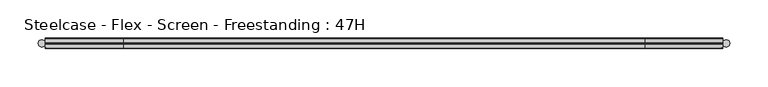
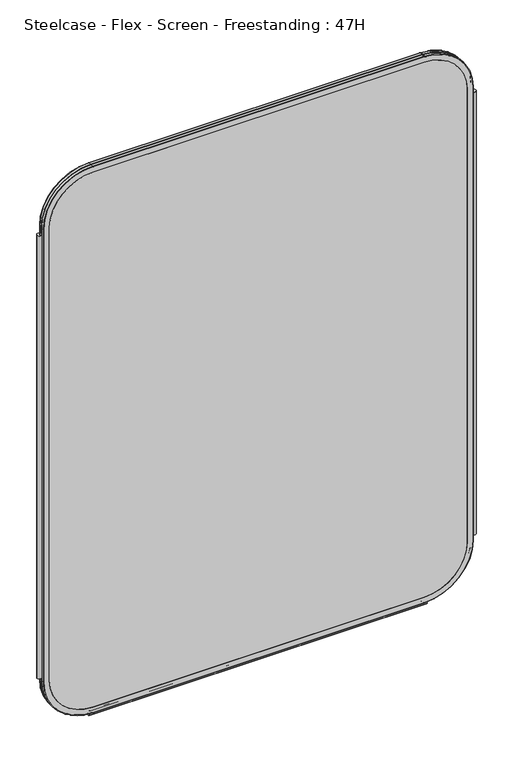
"""IFC4 building model written with IfcOpenShell, lengths in millimetres: furniture geometry, Steelcase - Flex - Screen - Freestanding : 47H."""

from ifc_helpers import new_model, si_unit, point, frame, frame_2d, origin, place, context, project, spatial, polyline, circle_curve, ellipse_curve, trimmed, segment, composite_curve, outline, extrude, source, transform, mapped, element, save
from ifc_brep_helpers import plane_surface, cylinder_surface, revolved_surface, advanced_brep


def steelcase_flex_screen_freestanding_47h_8e9ec8d9(model_context):
    return source(origin(), model_context, "Body", "SolidModel", [
        extrude(outline(composite_curve([segment(trimmed(circle_curve(frame_2d((4.5307839, 0.0)), 4.572), [point((-0.0412161, 0.0))], [point((9.1027839, 0.0))], False, "CARTESIAN"), True, "CONTINUOUS"), segment(trimmed(circle_curve(frame_2d((4.5307839, 0.0)), 4.572), [point((9.1027839, 0.0))], [point((-0.0412161, 0.0))], False, "CARTESIAN"), True, "CONTINUOUS")], self_intersect=False)), frame((0.0, 0.0, 115.57), z_axis=(0.0, 0.0, 1.0), x_axis=(1.0, 0.0, 0.0)), (0.0, 0.0, 1.0), 962.66),
        extrude(outline(composite_curve([segment(trimmed(circle_curve(frame_2d((898.7749587, 0.0)), 4.572), [point((894.2029587, 0.0))], [point((903.3469587, 0.0))], False, "CARTESIAN"), True, "CONTINUOUS"), segment(trimmed(circle_curve(frame_2d((898.7749587, 0.0)), 4.572), [point((903.3469587, 0.0))], [point((894.2029587, 0.0))], False, "CARTESIAN"), True, "CONTINUOUS")], self_intersect=False)), frame((0.0, 0.0, 115.57), z_axis=(0.0, 0.0, 1.0), x_axis=(1.0, 0.0, 0.0)), (0.0, 0.0, 1.0), 962.66),
        extrude(outline(composite_curve([segment(trimmed(circle_curve(frame_2d((-3.5, 4.4751953)), 0.5), [point((-3.5, 4.9751953))], [point((-3.5, 3.9751953))], False, "CARTESIAN"), True, "CONTINUOUS"), segment(trimmed(circle_curve(frame_2d((-3.5, 2.4751953)), 1.5), [point((-3.5, 3.9751953))], [point((-2.3025096, 1.5718589))], True, "CARTESIAN"), True, "CONTINUOUS"), segment(trimmed(circle_curve(frame_2d((-10.3325937, 7.629417)), 10.0586411), [point((-2.3025096, 1.5718589))], [point((-0.714976, 4.6836248))], True, "CARTESIAN"), True, "CONTINUOUS"), segment(trimmed(circle_curve(frame_2d((0.0, 4.4646339)), 0.7477618), [point((-0.714976, 4.6836248))], [point((0.714976, 4.6836248))], False, "CARTESIAN"), True, "CONTINUOUS"), segment(trimmed(circle_curve(frame_2d((10.3325937, 7.629417)), 10.0586411), [point((0.714976, 4.6836248))], [point((2.3025096, 1.5718589))], True, "CARTESIAN"), True, "CONTINUOUS"), segment(trimmed(circle_curve(frame_2d((3.5, 2.4751953)), 1.5), [point((2.3025096, 1.5718589))], [point((3.5, 3.9751953))], True, "CARTESIAN"), True, "CONTINUOUS"), segment(trimmed(circle_curve(frame_2d((3.5, 4.4751953)), 0.5), [point((3.5, 3.9751953))], [point((3.5, 4.9751953))], False, "CARTESIAN"), True, "CONTINUOUS"), segment(trimmed(circle_curve(frame_2d((3.5, 2.4751953)), 2.5), [point((3.5, 4.9751953))], [point((1.4656663, 1.0220998))], False, "CARTESIAN"), True, "CONTINUOUS"), segment(trimmed(circle_curve(frame_2d((0.0, -0.0248047)), 1.8011626), [point((1.4656663, 1.0220998))], [point((-1.4656663, 1.0220998))], True, "CARTESIAN"), True, "CONTINUOUS"), segment(trimmed(circle_curve(frame_2d((-3.5, 2.4751953)), 2.5), [point((-1.4656663, 1.0220998))], [point((-3.5, 4.9751953))], False, "CARTESIAN"), True, "CONTINUOUS")], self_intersect=False)), frame((104.1640108, 0.0, 0.0), z_axis=(1.0, 0.0, 0.0), x_axis=(0.0, 1.0, 0.0)), (0.0, 0.0, 1.0), 694.9777209),
        advanced_brep(
        [(9.9273521, 0.0, 1092.2), (110.7653521, 0.0, 1193.038), (792.5652086, 0.0, 1193.038), (893.4032086, 0.0, 1092.2), (893.4032086, 0.0, 106.5996464), (792.5652086, 0.0, 5.7616464), (110.7653521, 0.0, 5.7616464), (9.9273521, 0.0, 106.5996464), (792.5652086, 0.0, 17.6996464), (881.4652086, 0.0, 106.5996464), (881.4652086, 0.0, 1092.2), (792.5652086, 0.0, 1181.1), (110.7653521, 0.0, 1181.1), (21.8653521, 0.0, 1092.2), (21.8653521, 0.0, 106.5996464), (110.7653521, 0.0, 17.6996464), (110.7653521, -0.762, 1193.8), (9.1653521, -0.762, 1092.2), (110.7653521, -6.096, 1193.8), (9.1653521, -6.096, 1092.2), (110.7653521, -6.858, 1193.038), (9.9273521, -6.858, 1092.2), (110.7653521, -6.858, 1181.1), (21.8653521, -6.858, 1092.2), (792.5652086, -0.762, 1193.8), (792.5652086, -6.096, 1193.8), (792.5652086, -6.858, 1193.038), (792.5652086, -6.858, 1181.1), (894.1652086, -0.762, 1092.2), (894.1652086, -6.096, 1092.2), (893.4032086, -6.858, 1092.2), (881.4652086, -6.858, 1092.2), (894.1652086, -0.762, 106.5996464), (894.1652086, -6.096, 106.5996464), (893.4032086, -6.858, 106.5996464), (881.4652086, -6.858, 106.5996464), (792.5652086, -0.762, 4.9996464), (792.5652086, -6.096, 4.9996464), (792.5652086, -6.858, 5.7616464), (792.5652086, -6.858, 17.6996464), (110.7653521, -0.762, 4.9996464), (110.7653521, -6.096, 4.9996464), (110.7653521, -6.858, 5.7616464), (110.7653521, -6.858, 17.6996464), (9.1653521, -0.762, 106.5996464), (9.1653521, -6.096, 106.5996464), (9.9273521, -6.858, 106.5996464), (21.8653521, -6.858, 106.5996464)],
        [
            (0, 1, circle_curve(frame((110.7653521, 0.0, 1092.2), z_axis=(0.0, 1.0, 0.0), x_axis=(-1.0, 0.0, 0.0)), 100.838)),
            (1, 2),
            (2, 3, circle_curve(frame((792.5652086, 0.0, 1092.2), z_axis=(0.0, 1.0, 0.0), x_axis=(0.0, 0.0, 1.0)), 100.838)),
            (3, 4),
            (4, 5, circle_curve(frame((792.5652086, 0.0, 106.5996464), z_axis=(0.0, 1.0, 0.0), x_axis=(1.0, 0.0, 0.0)), 100.838)),
            (5, 6),
            (6, 7, circle_curve(frame((110.7653521, 0.0, 106.5996464), z_axis=(0.0, 1.0, 0.0), x_axis=(0.0, 0.0, -1.0)), 100.838)),
            (7, 0),
            (8, 9, circle_curve(frame((792.5652086, 0.0, 106.5996464), z_axis=(0.0, -1.0, 0.0), x_axis=(1.0, 0.0, 0.0)), 88.9)),
            (9, 10),
            (10, 11, circle_curve(frame((792.5652086, 0.0, 1092.2), z_axis=(0.0, -1.0, 0.0), x_axis=(0.0, 0.0, 1.0)), 88.9)),
            (11, 12),
            (12, 13, circle_curve(frame((110.7653521, 0.0, 1092.2), z_axis=(0.0, -1.0, 0.0), x_axis=(-1.0, 0.0, 0.0)), 88.9)),
            (13, 14),
            (14, 15, circle_curve(frame((110.7653521, 0.0, 106.5996464), z_axis=(0.0, -1.0, 0.0), x_axis=(0.0, 0.0, -1.0)), 88.9)),
            (15, 8),
            (16, 1, circle_curve(frame((110.7653521, -0.762, 1193.038), z_axis=(-1.0, 0.0, 0.0), x_axis=(0.0, 0.0, 1.0)), 0.762)),
            (0, 17, circle_curve(frame((9.9273521, -0.762, 1092.2), z_axis=(0.0, 0.0, 1.0), x_axis=(-1.0, 0.0, 0.0)), 0.762)),
            (17, 16, circle_curve(frame((110.7653521, -0.762, 1092.2), z_axis=(0.0, 1.0, 0.0), x_axis=(-1.0, 0.0, 0.0)), 101.6)),
            (18, 16),
            (17, 19),
            (19, 18, circle_curve(frame((110.7653521, -6.096, 1092.2), z_axis=(0.0, 1.0, 0.0), x_axis=(-1.0, 0.0, 0.0)), 101.6)),
            (20, 18, circle_curve(frame((110.7653521, -6.096, 1193.038), z_axis=(-1.0, 0.0, 0.0), x_axis=(0.0, 0.0, 1.0)), 0.762)),
            (19, 21, circle_curve(frame((9.9273521, -6.096, 1092.2), z_axis=(0.0, 0.0, 1.0), x_axis=(-1.0, 0.0, 0.0)), 0.762)),
            (21, 20, circle_curve(frame((110.7653521, -6.858, 1092.2), z_axis=(0.0, 1.0, 0.0), x_axis=(-1.0, 0.0, 0.0)), 100.838)),
            (12, 22),
            (22, 23, circle_curve(frame((110.7653521, -6.858, 1092.2), z_axis=(0.0, -1.0, 0.0), x_axis=(-1.0, 0.0, 0.0)), 88.9)),
            (23, 13),
            (16, 24),
            (24, 2, circle_curve(frame((792.5652086, -0.762, 1193.038), z_axis=(-1.0, 0.0, 0.0), x_axis=(0.0, 0.0, 1.0)), 0.762)),
            (18, 25),
            (25, 24),
            (20, 26),
            (26, 25, circle_curve(frame((792.5652086, -6.096, 1193.038), z_axis=(-1.0, 0.0, 0.0), x_axis=(0.0, 0.0, 1.0)), 0.762)),
            (11, 27),
            (27, 22),
            (28, 3, circle_curve(frame((893.4032086, -0.762, 1092.2), z_axis=(0.0, 0.0, 1.0), x_axis=(1.0, 0.0, 0.0)), 0.762)),
            (24, 28, circle_curve(frame((792.5652086, -0.762, 1092.2), z_axis=(0.0, 1.0, 0.0), x_axis=(0.0, 0.0, 1.0)), 101.6)),
            (29, 28),
            (25, 29, circle_curve(frame((792.5652086, -6.096, 1092.2), z_axis=(0.0, 1.0, 0.0), x_axis=(0.0, 0.0, 1.0)), 101.6)),
            (30, 29, circle_curve(frame((893.4032086, -6.096, 1092.2), z_axis=(0.0, 0.0, 1.0), x_axis=(1.0, 0.0, 0.0)), 0.762)),
            (26, 30, circle_curve(frame((792.5652086, -6.858, 1092.2), z_axis=(0.0, 1.0, 0.0), x_axis=(0.0, 0.0, 1.0)), 100.838)),
            (10, 31),
            (31, 27, circle_curve(frame((792.5652086, -6.858, 1092.2), z_axis=(0.0, -1.0, 0.0), x_axis=(0.0, 0.0, 1.0)), 88.9)),
            (28, 32),
            (32, 4, circle_curve(frame((893.4032086, -0.762, 106.5996464), z_axis=(0.0, 0.0, 1.0), x_axis=(1.0, 0.0, 0.0)), 0.762)),
            (29, 33),
            (33, 32),
            (30, 34),
            (34, 33, circle_curve(frame((893.4032086, -6.096, 106.5996464), z_axis=(0.0, 0.0, 1.0), x_axis=(1.0, 0.0, 0.0)), 0.762)),
            (9, 35),
            (35, 31),
            (36, 5, circle_curve(frame((792.5652086, -0.762, 5.7616464), z_axis=(1.0, 0.0, 0.0), x_axis=(0.0, 0.0, -1.0)), 0.762)),
            (32, 36, circle_curve(frame((792.5652086, -0.762, 106.5996464), z_axis=(0.0, 1.0, 0.0), x_axis=(1.0, 0.0, 0.0)), 101.6)),
            (37, 36),
            (33, 37, circle_curve(frame((792.5652086, -6.096, 106.5996464), z_axis=(0.0, 1.0, 0.0), x_axis=(1.0, 0.0, 0.0)), 101.6)),
            (38, 37, circle_curve(frame((792.5652086, -6.096, 5.7616464), z_axis=(1.0, 0.0, 0.0), x_axis=(0.0, 0.0, -1.0)), 0.762)),
            (34, 38, circle_curve(frame((792.5652086, -6.858, 106.5996464), z_axis=(0.0, 1.0, 0.0), x_axis=(1.0, 0.0, 0.0)), 100.838)),
            (8, 39),
            (39, 35, circle_curve(frame((792.5652086, -6.858, 106.5996464), z_axis=(0.0, -1.0, 0.0), x_axis=(1.0, 0.0, 0.0)), 88.9)),
            (36, 40),
            (40, 6, circle_curve(frame((110.7653521, -0.762, 5.7616464), z_axis=(1.0, 0.0, 0.0), x_axis=(0.0, 0.0, -1.0)), 0.762)),
            (37, 41),
            (41, 40),
            (38, 42),
            (42, 41, circle_curve(frame((110.7653521, -6.096, 5.7616464), z_axis=(1.0, 0.0, 0.0), x_axis=(0.0, 0.0, -1.0)), 0.762)),
            (15, 43),
            (43, 39),
            (44, 7, circle_curve(frame((9.9273521, -0.762, 106.5996464), z_axis=(0.0, 0.0, -1.0), x_axis=(-1.0, 0.0, 0.0)), 0.762)),
            (40, 44, circle_curve(frame((110.7653521, -0.762, 106.5996464), z_axis=(0.0, 1.0, 0.0), x_axis=(0.0, 0.0, -1.0)), 101.6)),
            (45, 44),
            (41, 45, circle_curve(frame((110.7653521, -6.096, 106.5996464), z_axis=(0.0, 1.0, 0.0), x_axis=(0.0, 0.0, -1.0)), 101.6)),
            (46, 45, circle_curve(frame((9.9273521, -6.096, 106.5996464), z_axis=(0.0, 0.0, -1.0), x_axis=(-1.0, 0.0, 0.0)), 0.762)),
            (42, 46, circle_curve(frame((110.7653521, -6.858, 106.5996464), z_axis=(0.0, 1.0, 0.0), x_axis=(0.0, 0.0, -1.0)), 100.838)),
            (14, 47),
            (47, 43, circle_curve(frame((110.7653521, -6.858, 106.5996464), z_axis=(0.0, -1.0, 0.0), x_axis=(0.0, 0.0, -1.0)), 88.9)),
            (44, 17),
            (45, 19),
            (46, 21),
            (47, 23),
        ],
        [
            plane_surface(frame((21.8653521, 0.0, 106.5996464), z_axis=(0.0, 1.0, 0.0), x_axis=(0.0, 0.0, 1.0))),
            revolved_surface(trimmed(ellipse_curve(frame((9.9273521, -0.762, 1092.2), z_axis=(0.0, 0.0, 1.0), x_axis=(-1.0, 0.0, 0.0)), 0.762, 0.762), [point((9.9273521, 0.0, 1092.2))], [point((9.1653521, -0.762, 1092.2))], True, "CARTESIAN"), (110.7653521, 0.0, 1092.2), (0.0, -1.0, 0.0)),
            cylinder_surface(frame((110.7653521, 0.0, 1092.2), z_axis=(0.0, -1.0, 0.0), x_axis=(-1.0, 0.0, 0.0)), 101.6),
            revolved_surface(trimmed(ellipse_curve(frame((9.9273521, -6.096, 1092.2), z_axis=(0.0, 0.0, 1.0), x_axis=(-1.0, 0.0, 0.0)), 0.762, 0.762), [point((9.1653521, -6.096, 1092.2))], [point((9.9273521, -6.858, 1092.2))], True, "CARTESIAN"), (110.7653521, 0.0, 1092.2), (0.0, -1.0, 0.0)),
            revolved_surface(polyline([(21.865352099999996, -6.858, 1092.2), (21.865352099999996, 0.0, 1092.2)]), (110.7653521, 0.0, 1092.2), (0.0, -1.0, 0.0)),
            cylinder_surface(frame((110.7653521, -0.762, 1193.038), z_axis=(-1.0, 0.0, 0.0), x_axis=(0.0, 0.0, 1.0)), 0.762),
            plane_surface(frame((110.7653521, -0.762, 1193.8), z_axis=(0.0, 0.0, 1.0), x_axis=(1.0, 0.0, 0.0))),
            cylinder_surface(frame((110.7653521, -6.096, 1193.038), z_axis=(-1.0, 0.0, 0.0), x_axis=(0.0, 0.0, 1.0)), 0.762),
            plane_surface(frame((110.7653521, -6.858, 1181.1), z_axis=(0.0, 0.0, -1.0), x_axis=(1.0, 0.0, 0.0))),
            revolved_surface(trimmed(ellipse_curve(frame((792.5652086, -0.762, 1193.038), z_axis=(1.0, 0.0, 0.0), x_axis=(0.0, 0.0, 1.0)), 0.762, 0.762), [point((792.5652086, 0.0, 1193.038))], [point((792.5652086, -0.762, 1193.8))], True, "CARTESIAN"), (792.5652086, 0.0, 1092.2), (0.0, -1.0, 0.0)),
            cylinder_surface(frame((792.5652086, 0.0, 1092.2), z_axis=(0.0, -1.0, 0.0), x_axis=(0.0, 0.0, 1.0)), 101.6),
            revolved_surface(trimmed(ellipse_curve(frame((792.5652086, -6.096, 1193.038), z_axis=(1.0, 0.0, 0.0), x_axis=(0.0, 0.0, 1.0)), 0.762, 0.762), [point((792.5652086, -6.096, 1193.8))], [point((792.5652086, -6.858, 1193.038))], True, "CARTESIAN"), (792.5652086, 0.0, 1092.2), (0.0, -1.0, 0.0)),
            revolved_surface(polyline([(792.5652086, -6.858, 1181.1000000000001), (792.5652086, 0.0, 1181.1000000000001)]), (792.5652086, 0.0, 1092.2), (0.0, -1.0, 0.0)),
            cylinder_surface(frame((893.4032086, -0.762, 1092.2), z_axis=(0.0, 0.0, 1.0), x_axis=(1.0, 0.0, 0.0)), 0.762),
            plane_surface(frame((894.1652086, -0.762, 1092.2), z_axis=(1.0, 0.0, 0.0), x_axis=(0.0, 0.0, -1.0))),
            cylinder_surface(frame((893.4032086, -6.096, 1092.2), z_axis=(0.0, 0.0, 1.0), x_axis=(1.0, 0.0, 0.0)), 0.762),
            plane_surface(frame((881.4652086, -6.858, 1092.2), z_axis=(-1.0, 0.0, 0.0), x_axis=(0.0, 0.0, -1.0))),
            revolved_surface(trimmed(ellipse_curve(frame((893.4032086, -0.762, 106.5996464), z_axis=(0.0, 0.0, -1.0), x_axis=(1.0, 0.0, 0.0)), 0.762, 0.762), [point((893.4032086, 0.0, 106.5996464))], [point((894.1652086, -0.762, 106.5996464))], True, "CARTESIAN"), (792.5652086, 0.0, 106.5996464), (0.0, -1.0, 0.0)),
            cylinder_surface(frame((792.5652086, 0.0, 106.5996464), z_axis=(0.0, -1.0, 0.0), x_axis=(1.0, 0.0, 0.0)), 101.6),
            revolved_surface(trimmed(ellipse_curve(frame((893.4032086, -6.096, 106.5996464), z_axis=(0.0, 0.0, -1.0), x_axis=(1.0, 0.0, 0.0)), 0.762, 0.762), [point((894.1652086, -6.096, 106.5996464))], [point((893.4032086, -6.858, 106.5996464))], True, "CARTESIAN"), (792.5652086, 0.0, 106.5996464), (0.0, -1.0, 0.0)),
            revolved_surface(polyline([(881.4652086, -6.858, 106.5996464), (881.4652086, 0.0, 106.5996464)]), (792.5652086, 0.0, 106.5996464), (0.0, -1.0, 0.0)),
            cylinder_surface(frame((792.5652086, -0.762, 5.7616464), z_axis=(1.0, 0.0, 0.0), x_axis=(0.0, 0.0, -1.0)), 0.762),
            plane_surface(frame((792.5652086, -0.762, 4.9996464), z_axis=(0.0, 0.0, -1.0), x_axis=(-1.0, 0.0, 0.0))),
            cylinder_surface(frame((792.5652086, -6.096, 5.7616464), z_axis=(1.0, 0.0, 0.0), x_axis=(0.0, 0.0, -1.0)), 0.762),
            plane_surface(frame((792.5652086, -6.858, 17.6996464), z_axis=(0.0, 0.0, 1.0), x_axis=(-1.0, 0.0, 0.0))),
            revolved_surface(trimmed(ellipse_curve(frame((110.7653521, -0.762, 5.7616464), z_axis=(-1.0, 0.0, 0.0), x_axis=(0.0, 0.0, -1.0)), 0.762, 0.762), [point((110.7653521, 0.0, 5.7616464))], [point((110.7653521, -0.762, 4.9996464))], True, "CARTESIAN"), (110.7653521, 0.0, 106.5996464), (0.0, -1.0, 0.0)),
            cylinder_surface(frame((110.7653521, 0.0, 106.5996464), z_axis=(0.0, -1.0, 0.0), x_axis=(0.0, 0.0, -1.0)), 101.6),
            revolved_surface(trimmed(ellipse_curve(frame((110.7653521, -6.096, 5.7616464), z_axis=(-1.0, 0.0, 0.0), x_axis=(0.0, 0.0, -1.0)), 0.762, 0.762), [point((110.7653521, -6.096, 4.9996464))], [point((110.7653521, -6.858, 5.7616464))], True, "CARTESIAN"), (110.7653521, 0.0, 106.5996464), (0.0, -1.0, 0.0)),
            revolved_surface(polyline([(110.7653521, -6.858, 17.699646399999992), (110.7653521, 0.0, 17.699646399999992)]), (110.7653521, 0.0, 106.5996464), (0.0, -1.0, 0.0)),
            cylinder_surface(frame((9.9273521, -0.762, 106.5996464), z_axis=(0.0, 0.0, -1.0), x_axis=(-1.0, 0.0, 0.0)), 0.762),
            plane_surface(frame((9.1653521, -0.762, 106.5996464), z_axis=(-1.0, 0.0, 0.0), x_axis=(0.0, 0.0, 1.0))),
            cylinder_surface(frame((9.9273521, -6.096, 106.5996464), z_axis=(0.0, 0.0, -1.0), x_axis=(-1.0, 0.0, 0.0)), 0.762),
            plane_surface(frame((9.9273521, -6.858, 106.5996464), z_axis=(0.0, -1.0, 0.0), x_axis=(0.0, 0.0, 1.0))),
            plane_surface(frame((21.8653521, -6.858, 106.5996464), z_axis=(1.0, 0.0, 0.0), x_axis=(0.0, 0.0, 1.0))),
        ],
        [
            (0, [[1, 2, 3, 4, 5, 6, 7, 8], [9, 10, 11, 12, 13, 14, 15, 16]]),
            (1, [[17, -1, 18, 19]]),
            (2, [[20, -19, 21, 22]]),
            (3, [[23, -22, 24, 25]]),
            (4, [[26, 27, 28, -13]]),
            (5, [[29, 30, -2, -17]]),
            (6, [[31, 32, -29, -20]]),
            (7, [[33, 34, -31, -23]]),
            (8, [[-12, 35, 36, -26]]),
            (9, [[37, -3, -30, 38]]),
            (10, [[39, -38, -32, 40]]),
            (11, [[41, -40, -34, 42]]),
            (12, [[43, 44, -35, -11]]),
            (13, [[45, 46, -4, -37]]),
            (14, [[47, 48, -45, -39]]),
            (15, [[49, 50, -47, -41]]),
            (16, [[-10, 51, 52, -43]]),
            (17, [[53, -5, -46, 54]]),
            (18, [[55, -54, -48, 56]]),
            (19, [[57, -56, -50, 58]]),
            (20, [[59, 60, -51, -9]]),
            (21, [[61, 62, -6, -53]]),
            (22, [[63, 64, -61, -55]]),
            (23, [[65, 66, -63, -57]]),
            (24, [[-16, 67, 68, -59]]),
            (25, [[69, -7, -62, 70]]),
            (26, [[71, -70, -64, 72]]),
            (27, [[73, -72, -66, 74]]),
            (28, [[75, 76, -67, -15]]),
            (29, [[77, -18, -8, -69]]),
            (30, [[78, -21, -77, -71]]),
            (31, [[79, -24, -78, -73]]),
            (32, [[-58, -49, -42, -33, -25, -79, -74, -65], [-27, -36, -44, -52, -60, -68, -76, 80]]),
            (33, [[-14, -28, -80, -75]]),
        ],
    ),
        extrude(outline(composite_curve([segment(polyline([(1181.1, 792.5652086), (1181.1, 110.7653521)]), True, "CONTINUOUS"), segment(trimmed(circle_curve(frame_2d((1092.2, 110.7653521)), 88.9), [point((1181.1, 110.7653521))], [point((1092.2, 21.8653521))], False, "CARTESIAN"), True, "CONTINUOUS"), segment(polyline([(1092.2, 21.8653521), (106.5996464, 21.8653521)]), True, "CONTINUOUS"), segment(trimmed(circle_curve(frame_2d((106.5996464, 110.7653521)), 88.9), [point((106.5996464, 21.8653521))], [point((17.6996464, 110.7653521))], False, "CARTESIAN"), True, "CONTINUOUS"), segment(polyline([(17.6996464, 110.7653521), (17.6996464, 792.5652086)]), True, "CONTINUOUS"), segment(trimmed(circle_curve(frame_2d((106.5996464, 792.5652086)), 88.9), [point((17.6996464, 792.5652086))], [point((106.5996464, 881.4652086))], False, "CARTESIAN"), True, "CONTINUOUS"), segment(polyline([(106.5996464, 881.4652086), (1092.2, 881.4652086)]), True, "CONTINUOUS"), segment(trimmed(circle_curve(frame_2d((1092.2, 792.5652086)), 88.9), [point((1092.2, 881.4652086))], [point((1181.1, 792.5652086))], False, "CARTESIAN"), True, "CONTINUOUS")], self_intersect=False)), frame((0.0, -6.858, 0.0), z_axis=(0.0, 1.0, 0.0), x_axis=(0.0, 0.0, 1.0)), (0.0, 0.0, 1.0), 6.858),
        advanced_brep(
        [(110.7653521, 6.858, 1181.1), (110.7653521, 0.0, 1181.1), (21.8653521, 0.0, 1092.2), (21.8653521, 6.858, 1092.2), (110.7653521, 6.096, 1193.8), (110.7653521, 6.858, 1193.038), (9.9273521, 6.858, 1092.2), (9.1653521, 6.096, 1092.2), (110.7653521, 0.762, 1193.8), (9.1653521, 0.762, 1092.2), (110.7653521, 0.0, 1193.038), (9.9273521, 0.0, 1092.2), (792.5652086, 6.858, 1181.1), (792.5652086, 0.0, 1181.1), (792.5652086, 6.096, 1193.8), (792.5652086, 6.858, 1193.038), (792.5652086, 0.762, 1193.8), (792.5652086, 0.0, 1193.038), (881.4652086, 6.858, 1092.2), (881.4652086, 0.0, 1092.2), (894.1652086, 6.096, 1092.2), (893.4032086, 6.858, 1092.2), (894.1652086, 0.762, 1092.2), (893.4032086, 0.0, 1092.2), (881.4652086, 6.858, 106.5996464), (881.4652086, 0.0, 106.5996464), (894.1652086, 6.096, 106.5996464), (893.4032086, 6.858, 106.5996464), (894.1652086, 0.762, 106.5996464), (893.4032086, 0.0, 106.5996464), (792.5652086, 6.858, 17.6996464), (792.5652086, 0.0, 17.6996464), (792.5652086, 6.096, 4.9996464), (792.5652086, 6.858, 5.7616464), (792.5652086, 0.762, 4.9996464), (792.5652086, 0.0, 5.7616464), (110.7653521, 6.858, 17.6996464), (110.7653521, 0.0, 17.6996464), (110.7653521, 6.096, 4.9996464), (110.7653521, 6.858, 5.7616464), (110.7653521, 0.762, 4.9996464), (110.7653521, 0.0, 5.7616464), (21.8653521, 6.858, 106.5996464), (21.8653521, 0.0, 106.5996464), (9.1653521, 6.096, 106.5996464), (9.9273521, 6.858, 106.5996464), (9.1653521, 0.762, 106.5996464), (9.9273521, 0.0, 106.5996464)],
        [
            (0, 1),
            (1, 2, circle_curve(frame((110.7653521, 0.0, 1092.2), z_axis=(0.0, -1.0, 0.0), x_axis=(-1.0, 0.0, 0.0)), 88.9)),
            (2, 3),
            (3, 0, circle_curve(frame((110.7653521, 6.858, 1092.2), z_axis=(0.0, 1.0, 0.0), x_axis=(-1.0, 0.0, 0.0)), 88.9)),
            (4, 5, circle_curve(frame((110.7653521, 6.096, 1193.038), z_axis=(-1.0, 0.0, 0.0), x_axis=(0.0, 0.0, 1.0)), 0.762)),
            (5, 6, circle_curve(frame((110.7653521, 6.858, 1092.2), z_axis=(0.0, -1.0, 0.0), x_axis=(-1.0, 0.0, 0.0)), 100.838)),
            (6, 7, circle_curve(frame((9.9273521, 6.096, 1092.2), z_axis=(0.0, 0.0, 1.0), x_axis=(-1.0, 0.0, 0.0)), 0.762)),
            (7, 4, circle_curve(frame((110.7653521, 6.096, 1092.2), z_axis=(0.0, 1.0, 0.0), x_axis=(-1.0, 0.0, 0.0)), 101.6)),
            (8, 4),
            (7, 9),
            (9, 8, circle_curve(frame((110.7653521, 0.762, 1092.2), z_axis=(0.0, 1.0, 0.0), x_axis=(-1.0, 0.0, 0.0)), 101.6)),
            (10, 8, circle_curve(frame((110.7653521, 0.762, 1193.038), z_axis=(-1.0, 0.0, 0.0), x_axis=(0.0, 0.0, 1.0)), 0.762)),
            (9, 11, circle_curve(frame((9.9273521, 0.762, 1092.2), z_axis=(0.0, 0.0, 1.0), x_axis=(-1.0, 0.0, 0.0)), 0.762)),
            (11, 10, circle_curve(frame((110.7653521, 0.0, 1092.2), z_axis=(0.0, 1.0, 0.0), x_axis=(-1.0, 0.0, 0.0)), 100.838)),
            (0, 12),
            (12, 13),
            (13, 1),
            (4, 14),
            (14, 15, circle_curve(frame((792.5652086, 6.096, 1193.038), z_axis=(-1.0, 0.0, 0.0), x_axis=(0.0, 0.0, 1.0)), 0.762)),
            (15, 5),
            (8, 16),
            (16, 14),
            (10, 17),
            (17, 16, circle_curve(frame((792.5652086, 0.762, 1193.038), z_axis=(-1.0, 0.0, 0.0), x_axis=(0.0, 0.0, 1.0)), 0.762)),
            (18, 19),
            (19, 13, circle_curve(frame((792.5652086, 0.0, 1092.2), z_axis=(0.0, -1.0, 0.0), x_axis=(0.0, 0.0, 1.0)), 88.9)),
            (12, 18, circle_curve(frame((792.5652086, 6.858, 1092.2), z_axis=(0.0, 1.0, 0.0), x_axis=(0.0, 0.0, 1.0)), 88.9)),
            (20, 21, circle_curve(frame((893.4032086, 6.096, 1092.2), z_axis=(0.0, 0.0, 1.0), x_axis=(1.0, 0.0, 0.0)), 0.762)),
            (21, 15, circle_curve(frame((792.5652086, 6.858, 1092.2), z_axis=(0.0, -1.0, 0.0), x_axis=(0.0, 0.0, 1.0)), 100.838)),
            (14, 20, circle_curve(frame((792.5652086, 6.096, 1092.2), z_axis=(0.0, 1.0, 0.0), x_axis=(0.0, 0.0, 1.0)), 101.6)),
            (22, 20),
            (16, 22, circle_curve(frame((792.5652086, 0.762, 1092.2), z_axis=(0.0, 1.0, 0.0), x_axis=(0.0, 0.0, 1.0)), 101.6)),
            (23, 22, circle_curve(frame((893.4032086, 0.762, 1092.2), z_axis=(0.0, 0.0, 1.0), x_axis=(1.0, 0.0, 0.0)), 0.762)),
            (17, 23, circle_curve(frame((792.5652086, 0.0, 1092.2), z_axis=(0.0, 1.0, 0.0), x_axis=(0.0, 0.0, 1.0)), 100.838)),
            (18, 24),
            (24, 25),
            (25, 19),
            (20, 26),
            (26, 27, circle_curve(frame((893.4032086, 6.096, 106.5996464), z_axis=(0.0, 0.0, 1.0), x_axis=(1.0, 0.0, 0.0)), 0.762)),
            (27, 21),
            (22, 28),
            (28, 26),
            (23, 29),
            (29, 28, circle_curve(frame((893.4032086, 0.762, 106.5996464), z_axis=(0.0, 0.0, 1.0), x_axis=(1.0, 0.0, 0.0)), 0.762)),
            (30, 31),
            (31, 25, circle_curve(frame((792.5652086, 0.0, 106.5996464), z_axis=(0.0, -1.0, 0.0), x_axis=(1.0, 0.0, 0.0)), 88.9)),
            (24, 30, circle_curve(frame((792.5652086, 6.858, 106.5996464), z_axis=(0.0, 1.0, 0.0), x_axis=(1.0, 0.0, 0.0)), 88.9)),
            (32, 33, circle_curve(frame((792.5652086, 6.096, 5.7616464), z_axis=(1.0, 0.0, 0.0), x_axis=(0.0, 0.0, -1.0)), 0.762)),
            (33, 27, circle_curve(frame((792.5652086, 6.858, 106.5996464), z_axis=(0.0, -1.0, 0.0), x_axis=(1.0, 0.0, 0.0)), 100.838)),
            (26, 32, circle_curve(frame((792.5652086, 6.096, 106.5996464), z_axis=(0.0, 1.0, 0.0), x_axis=(1.0, 0.0, 0.0)), 101.6)),
            (34, 32),
            (28, 34, circle_curve(frame((792.5652086, 0.762, 106.5996464), z_axis=(0.0, 1.0, 0.0), x_axis=(1.0, 0.0, 0.0)), 101.6)),
            (35, 34, circle_curve(frame((792.5652086, 0.762, 5.7616464), z_axis=(1.0, 0.0, 0.0), x_axis=(0.0, 0.0, -1.0)), 0.762)),
            (29, 35, circle_curve(frame((792.5652086, 0.0, 106.5996464), z_axis=(0.0, 1.0, 0.0), x_axis=(1.0, 0.0, 0.0)), 100.838)),
            (30, 36),
            (36, 37),
            (37, 31),
            (32, 38),
            (38, 39, circle_curve(frame((110.7653521, 6.096, 5.7616464), z_axis=(1.0, 0.0, 0.0), x_axis=(0.0, 0.0, -1.0)), 0.762)),
            (39, 33),
            (34, 40),
            (40, 38),
            (35, 41),
            (41, 40, circle_curve(frame((110.7653521, 0.762, 5.7616464), z_axis=(1.0, 0.0, 0.0), x_axis=(0.0, 0.0, -1.0)), 0.762)),
            (42, 43),
            (43, 37, circle_curve(frame((110.7653521, 0.0, 106.5996464), z_axis=(0.0, -1.0, 0.0), x_axis=(0.0, 0.0, -1.0)), 88.9)),
            (36, 42, circle_curve(frame((110.7653521, 6.858, 106.5996464), z_axis=(0.0, 1.0, 0.0), x_axis=(0.0, 0.0, -1.0)), 88.9)),
            (44, 45, circle_curve(frame((9.9273521, 6.096, 106.5996464), z_axis=(0.0, 0.0, -1.0), x_axis=(-1.0, 0.0, 0.0)), 0.762)),
            (45, 39, circle_curve(frame((110.7653521, 6.858, 106.5996464), z_axis=(0.0, -1.0, 0.0), x_axis=(0.0, 0.0, -1.0)), 100.838)),
            (38, 44, circle_curve(frame((110.7653521, 6.096, 106.5996464), z_axis=(0.0, 1.0, 0.0), x_axis=(0.0, 0.0, -1.0)), 101.6)),
            (46, 44),
            (40, 46, circle_curve(frame((110.7653521, 0.762, 106.5996464), z_axis=(0.0, 1.0, 0.0), x_axis=(0.0, 0.0, -1.0)), 101.6)),
            (47, 46, circle_curve(frame((9.9273521, 0.762, 106.5996464), z_axis=(0.0, 0.0, -1.0), x_axis=(-1.0, 0.0, 0.0)), 0.762)),
            (41, 47, circle_curve(frame((110.7653521, 0.0, 106.5996464), z_axis=(0.0, 1.0, 0.0), x_axis=(0.0, 0.0, -1.0)), 100.838)),
            (42, 3),
            (2, 43),
            (45, 6),
            (44, 7),
            (46, 9),
            (47, 11),
        ],
        [
            revolved_surface(polyline([(21.865352099999996, 0.0, 1092.2), (21.865352099999996, 6.858, 1092.2)]), (110.7653521, 0.0, 1092.2), (0.0, -1.0, 0.0)),
            revolved_surface(trimmed(ellipse_curve(frame((9.9273521, 6.096, 1092.2), z_axis=(0.0, 0.0, 1.0), x_axis=(-1.0, 0.0, 0.0)), 0.762, 0.762), [point((9.9273521, 6.858, 1092.2))], [point((9.1653521, 6.096, 1092.2))], True, "CARTESIAN"), (110.7653521, 0.0, 1092.2), (0.0, -1.0, 0.0)),
            cylinder_surface(frame((110.7653521, 0.0, 1092.2), z_axis=(0.0, -1.0, 0.0), x_axis=(-1.0, 0.0, 0.0)), 101.6),
            revolved_surface(trimmed(ellipse_curve(frame((9.9273521, 0.762, 1092.2), z_axis=(0.0, 0.0, 1.0), x_axis=(-1.0, 0.0, 0.0)), 0.762, 0.762), [point((9.1653521, 0.762, 1092.2))], [point((9.9273521, 0.0, 1092.2))], True, "CARTESIAN"), (110.7653521, 0.0, 1092.2), (0.0, -1.0, 0.0)),
            plane_surface(frame((110.7653521, 0.0, 1181.1), z_axis=(0.0, 0.0, -1.0), x_axis=(1.0, 0.0, 0.0))),
            cylinder_surface(frame((110.7653521, 6.096, 1193.038), z_axis=(-1.0, 0.0, 0.0), x_axis=(0.0, 0.0, 1.0)), 0.762),
            plane_surface(frame((110.7653521, 6.096, 1193.8), z_axis=(0.0, 0.0, 1.0), x_axis=(1.0, 0.0, 0.0))),
            cylinder_surface(frame((110.7653521, 0.762, 1193.038), z_axis=(-1.0, 0.0, 0.0), x_axis=(0.0, 0.0, 1.0)), 0.762),
            revolved_surface(polyline([(792.5652086, 0.0, 1181.1000000000001), (792.5652086, 6.858, 1181.1000000000001)]), (792.5652086, 0.0, 1092.2), (0.0, -1.0, 0.0)),
            revolved_surface(trimmed(ellipse_curve(frame((792.5652086, 6.096, 1193.038), z_axis=(1.0, 0.0, 0.0), x_axis=(0.0, 0.0, 1.0)), 0.762, 0.762), [point((792.5652086, 6.858, 1193.038))], [point((792.5652086, 6.096, 1193.8))], True, "CARTESIAN"), (792.5652086, 0.0, 1092.2), (0.0, -1.0, 0.0)),
            cylinder_surface(frame((792.5652086, 0.0, 1092.2), z_axis=(0.0, -1.0, 0.0), x_axis=(0.0, 0.0, 1.0)), 101.6),
            revolved_surface(trimmed(ellipse_curve(frame((792.5652086, 0.762, 1193.038), z_axis=(1.0, 0.0, 0.0), x_axis=(0.0, 0.0, 1.0)), 0.762, 0.762), [point((792.5652086, 0.762, 1193.8))], [point((792.5652086, 0.0, 1193.038))], True, "CARTESIAN"), (792.5652086, 0.0, 1092.2), (0.0, -1.0, 0.0)),
            plane_surface(frame((881.4652086, 0.0, 1092.2), z_axis=(-1.0, 0.0, 0.0), x_axis=(0.0, 0.0, -1.0))),
            cylinder_surface(frame((893.4032086, 6.096, 1092.2), z_axis=(0.0, 0.0, 1.0), x_axis=(1.0, 0.0, 0.0)), 0.762),
            plane_surface(frame((894.1652086, 6.096, 1092.2), z_axis=(1.0, 0.0, 0.0), x_axis=(0.0, 0.0, -1.0))),
            cylinder_surface(frame((893.4032086, 0.762, 1092.2), z_axis=(0.0, 0.0, 1.0), x_axis=(1.0, 0.0, 0.0)), 0.762),
            revolved_surface(polyline([(881.4652086, 0.0, 106.5996464), (881.4652086, 6.858, 106.5996464)]), (792.5652086, 0.0, 106.5996464), (0.0, -1.0, 0.0)),
            revolved_surface(trimmed(ellipse_curve(frame((893.4032086, 6.096, 106.5996464), z_axis=(0.0, 0.0, -1.0), x_axis=(1.0, 0.0, 0.0)), 0.762, 0.762), [point((893.4032086, 6.858, 106.5996464))], [point((894.1652086, 6.096, 106.5996464))], True, "CARTESIAN"), (792.5652086, 0.0, 106.5996464), (0.0, -1.0, 0.0)),
            cylinder_surface(frame((792.5652086, 0.0, 106.5996464), z_axis=(0.0, -1.0, 0.0), x_axis=(1.0, 0.0, 0.0)), 101.6),
            revolved_surface(trimmed(ellipse_curve(frame((893.4032086, 0.762, 106.5996464), z_axis=(0.0, 0.0, -1.0), x_axis=(1.0, 0.0, 0.0)), 0.762, 0.762), [point((894.1652086, 0.762, 106.5996464))], [point((893.4032086, 0.0, 106.5996464))], True, "CARTESIAN"), (792.5652086, 0.0, 106.5996464), (0.0, -1.0, 0.0)),
            plane_surface(frame((792.5652086, 0.0, 17.6996464), z_axis=(0.0, 0.0, 1.0), x_axis=(-1.0, 0.0, 0.0))),
            cylinder_surface(frame((792.5652086, 6.096, 5.7616464), z_axis=(1.0, 0.0, 0.0), x_axis=(0.0, 0.0, -1.0)), 0.762),
            plane_surface(frame((792.5652086, 6.096, 4.9996464), z_axis=(0.0, 0.0, -1.0), x_axis=(-1.0, 0.0, 0.0))),
            cylinder_surface(frame((792.5652086, 0.762, 5.7616464), z_axis=(1.0, 0.0, 0.0), x_axis=(0.0, 0.0, -1.0)), 0.762),
            revolved_surface(polyline([(110.7653521, 0.0, 17.699646399999992), (110.7653521, 6.858, 17.699646399999992)]), (110.7653521, 0.0, 106.5996464), (0.0, -1.0, 0.0)),
            revolved_surface(trimmed(ellipse_curve(frame((110.7653521, 6.096, 5.7616464), z_axis=(-1.0, 0.0, 0.0), x_axis=(0.0, 0.0, -1.0)), 0.762, 0.762), [point((110.7653521, 6.858, 5.7616464))], [point((110.7653521, 6.096, 4.9996464))], True, "CARTESIAN"), (110.7653521, 0.0, 106.5996464), (0.0, -1.0, 0.0)),
            cylinder_surface(frame((110.7653521, 0.0, 106.5996464), z_axis=(0.0, -1.0, 0.0), x_axis=(0.0, 0.0, -1.0)), 101.6),
            revolved_surface(trimmed(ellipse_curve(frame((110.7653521, 0.762, 5.7616464), z_axis=(-1.0, 0.0, 0.0), x_axis=(0.0, 0.0, -1.0)), 0.762, 0.762), [point((110.7653521, 0.762, 4.9996464))], [point((110.7653521, 0.0, 5.7616464))], True, "CARTESIAN"), (110.7653521, 0.0, 106.5996464), (0.0, -1.0, 0.0)),
            plane_surface(frame((21.8653521, 0.0, 106.5996464), z_axis=(1.0, 0.0, 0.0), x_axis=(0.0, 0.0, 1.0))),
            plane_surface(frame((21.8653521, 6.858, 106.5996464), z_axis=(0.0, 1.0, 0.0), x_axis=(0.0, 0.0, 1.0))),
            cylinder_surface(frame((9.9273521, 6.096, 106.5996464), z_axis=(0.0, 0.0, -1.0), x_axis=(-1.0, 0.0, 0.0)), 0.762),
            plane_surface(frame((9.1653521, 6.096, 106.5996464), z_axis=(-1.0, 0.0, 0.0), x_axis=(0.0, 0.0, 1.0))),
            cylinder_surface(frame((9.9273521, 0.762, 106.5996464), z_axis=(0.0, 0.0, -1.0), x_axis=(-1.0, 0.0, 0.0)), 0.762),
            plane_surface(frame((9.9273521, 0.0, 106.5996464), z_axis=(0.0, -1.0, 0.0), x_axis=(0.0, 0.0, 1.0))),
        ],
        [
            (0, [[1, 2, 3, 4]]),
            (1, [[5, 6, 7, 8]]),
            (2, [[9, -8, 10, 11]]),
            (3, [[12, -11, 13, 14]]),
            (4, [[15, 16, 17, -1]]),
            (5, [[18, 19, 20, -5]]),
            (6, [[21, 22, -18, -9]]),
            (7, [[23, 24, -21, -12]]),
            (8, [[25, 26, -16, 27]]),
            (9, [[28, 29, -19, 30]]),
            (10, [[31, -30, -22, 32]]),
            (11, [[33, -32, -24, 34]]),
            (12, [[35, 36, 37, -25]]),
            (13, [[38, 39, 40, -28]]),
            (14, [[41, 42, -38, -31]]),
            (15, [[43, 44, -41, -33]]),
            (16, [[45, 46, -36, 47]]),
            (17, [[48, 49, -39, 50]]),
            (18, [[51, -50, -42, 52]]),
            (19, [[53, -52, -44, 54]]),
            (20, [[55, 56, 57, -45]]),
            (21, [[58, 59, 60, -48]]),
            (22, [[61, 62, -58, -51]]),
            (23, [[63, 64, -61, -53]]),
            (24, [[65, 66, -56, 67]]),
            (25, [[68, 69, -59, 70]]),
            (26, [[71, -70, -62, 72]]),
            (27, [[73, -72, -64, 74]]),
            (28, [[75, -3, 76, -65]]),
            (29, [[-6, -20, -29, -40, -49, -60, -69, 77], [-47, -35, -27, -15, -4, -75, -67, -55]]),
            (30, [[78, -7, -77, -68]]),
            (31, [[79, -10, -78, -71]]),
            (32, [[80, -13, -79, -73]]),
            (33, [[-54, -43, -34, -23, -14, -80, -74, -63], [-2, -17, -26, -37, -46, -57, -66, -76]]),
        ],
    ),
        extrude(outline(composite_curve([segment(polyline([(1181.1, 792.5652086), (1181.1, 110.7653521)]), True, "CONTINUOUS"), segment(trimmed(circle_curve(frame_2d((1092.2, 110.7653521)), 88.9), [point((1181.1, 110.7653521))], [point((1092.2, 21.8653521))], False, "CARTESIAN"), True, "CONTINUOUS"), segment(polyline([(1092.2, 21.8653521), (106.5996464, 21.8653521)]), True, "CONTINUOUS"), segment(trimmed(circle_curve(frame_2d((106.5996464, 110.7653521)), 88.9), [point((106.5996464, 21.8653521))], [point((17.6996464, 110.7653521))], False, "CARTESIAN"), True, "CONTINUOUS"), segment(polyline([(17.6996464, 110.7653521), (17.6996464, 792.5652086)]), True, "CONTINUOUS"), segment(trimmed(circle_curve(frame_2d((106.5996464, 792.5652086)), 88.9), [point((17.6996464, 792.5652086))], [point((106.5996464, 881.4652086))], False, "CARTESIAN"), True, "CONTINUOUS"), segment(polyline([(106.5996464, 881.4652086), (1092.2, 881.4652086)]), True, "CONTINUOUS"), segment(trimmed(circle_curve(frame_2d((1092.2, 792.5652086)), 88.9), [point((1092.2, 881.4652086))], [point((1181.1, 792.5652086))], False, "CARTESIAN"), True, "CONTINUOUS")], self_intersect=False)), frame((0.0, 0.0, 0.0), z_axis=(0.0, 1.0, 0.0), x_axis=(0.0, 0.0, 1.0)), (0.0, 0.0, 1.0), 6.858),
    ])


if __name__ == "__main__":
    model = new_model("IFC4")
    model_context = context("Model", 3, world=origin())
    ifc_project = project(units=[si_unit("LENGTHUNIT", "METRE", prefix="MILLI")], contexts=[model_context])
    site = spatial("IfcSite", under=ifc_project)
    building = spatial("IfcBuilding", under=site)
    placement = place(None, origin())
    steelcase_flex_screen_freestanding_47h_shape = steelcase_flex_screen_freestanding_47h_8e9ec8d9(model_context)
    element("IfcFurniture", 1, ObjectType="Steelcase - Flex - Screen - Freestanding : 47H", at=placement, inside=building, context=model_context, shape_type="MappedRepresentation", body=[
        mapped(steelcase_flex_screen_freestanding_47h_shape, transform((0.0, 0.0, 0.0), x_axis=(1.0, 0.0, 0.0), y_axis=(0.0, 1.0, 0.0), z_axis=(0.0, 0.0, 1.0))),
    ])
    save(model, "model.ifc")
